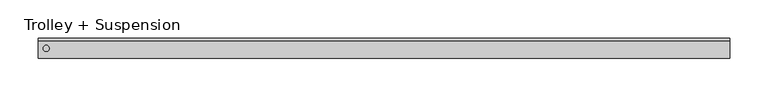
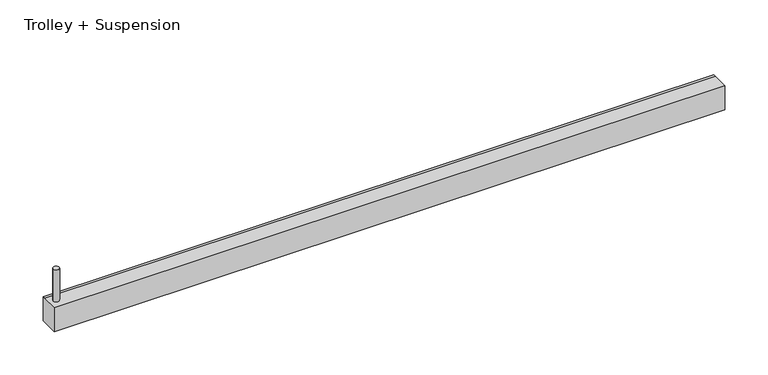
"""IFC4 building model written with IfcOpenShell, lengths in millimetres: proxy geometry, Trolley + Suspension."""

from ifc_helpers import new_model, si_unit, point, frame, origin, origin_2d, place, context, project, spatial, polyline, circle_curve, trimmed, segment, composite_curve, outline, extrude, source, transform, mapped, element, save


def trolley_suspension_d4a1a005(model_context):
    return source(origin(), model_context, "Body", "SweptSolid", [
        extrude(outline(composite_curve([segment(trimmed(circle_curve(origin_2d(), 4.0), [point((-4.0, 0.0))], [point((4.0, 0.0))], False, "CARTESIAN"), True, "CONTINUOUS"), segment(trimmed(circle_curve(origin_2d(), 4.0), [point((4.0, 0.0))], [point((-4.0, 0.0))], False, "CARTESIAN"), True, "CONTINUOUS")], self_intersect=False)), frame((0.0, 0.0, 34.0), z_axis=(0.0, 0.0, 1.0), x_axis=(1.0, 0.0, 0.0)), (0.0, 0.0, 1.0), 45.0),
        extrude(outline(polyline([(-13.0, 34.0), (9.692747, 34.0), (13.0, 34.0), (13.0, 0.0), (-13.0, 0.0), (-13.0, 34.0)])), frame((-10.0, 0.0, 0.0), z_axis=(1.0, 0.0, 0.0), x_axis=(0.0, 1.0, 0.0)), (0.0, 0.0, 1.0), 900.0),
    ])


if __name__ == "__main__":
    model = new_model("IFC4")
    model_context = context("Model", 3, world=origin())
    ifc_project = project(units=[si_unit("LENGTHUNIT", "METRE", prefix="MILLI")], contexts=[model_context])
    site = spatial("IfcSite", under=ifc_project)
    building = spatial("IfcBuilding", under=site)
    placement = place(None, origin())
    trolley_suspension_shape = trolley_suspension_d4a1a005(model_context)
    element("IfcBuildingElementProxy", 1, Name="Trolley + Suspension", ObjectType="Trolley + Suspension", at=placement, inside=building, context=model_context, shape_type="MappedRepresentation", body=[
        mapped(trolley_suspension_shape, transform((0.0, 0.0, 0.0), x_axis=(1.0, 0.0, 0.0), y_axis=(0.0, 1.0, 0.0), z_axis=(0.0, 0.0, 1.0))),
    ])
    save(model, "model.ifc")
